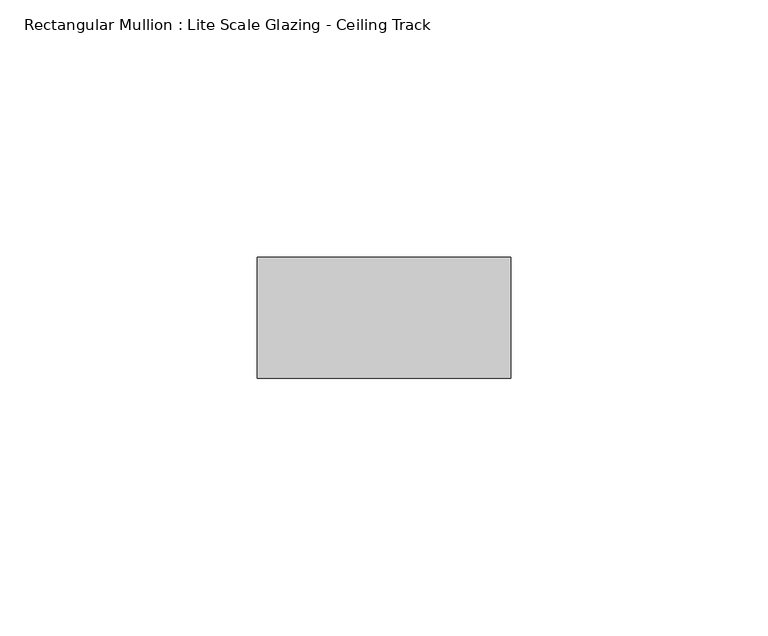
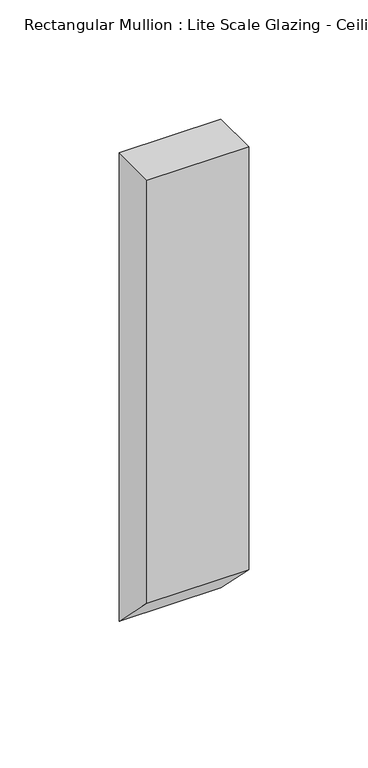
"""IFC4 building model written with IfcOpenShell, lengths in millimetres: member geometry, Rectangular Mullion : Lite Scale Glazing - Ceiling Track."""

from ifc_helpers import new_model, si_unit, frame, origin, place, context, project, spatial, polyline, outline, extrude, source, transform, mapped, element, save


def rectangular_mullion_lite_scale_glazing_ceiling_track_c64d55d1(model_context):
    return source(origin(), model_context, "Body", "SweptSolid", [
        extrude(outline(polyline([(-11.7474999, 0.0), (11.7474999, 0.0), (11.7474999, -240.3474999), (-11.7474999, -216.8525001), (-11.7474999, 0.0)])), frame((-49.276, 0.0, 0.0), z_axis=(1.0, 0.0, 0.0), x_axis=(0.0, 1.0, 0.0)), (0.0, 0.0, 1.0), 49.276),
    ])


if __name__ == "__main__":
    model = new_model("IFC4")
    model_context = context("Model", 3, world=origin())
    ifc_project = project(units=[si_unit("LENGTHUNIT", "METRE", prefix="MILLI")], contexts=[model_context])
    site = spatial("IfcSite", under=ifc_project)
    building = spatial("IfcBuilding", under=site)
    placement = place(None, origin())
    rectangular_mullion_lite_scale_glazing_ceiling_track_shape = rectangular_mullion_lite_scale_glazing_ceiling_track_c64d55d1(model_context)
    element("IfcMember", 1, ObjectType="Rectangular Mullion : Lite Scale Glazing - Ceiling Track", at=placement, inside=building, context=model_context, shape_type="MappedRepresentation", body=[
        mapped(rectangular_mullion_lite_scale_glazing_ceiling_track_shape, transform((0.0, 0.0, 0.0), x_axis=(1.0, 0.0, 0.0), y_axis=(0.0, 1.0, 0.0), z_axis=(0.0, 0.0, 1.0))),
    ])
    save(model, "model.ifc")
